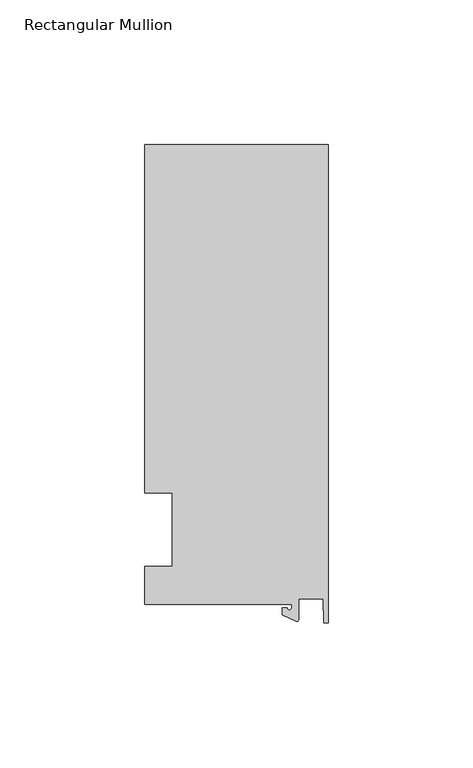
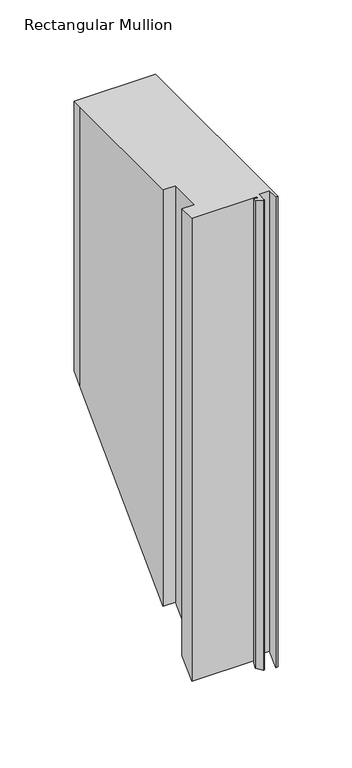
"""IFC4 building model written with IfcOpenShell, lengths in millimetres: member geometry, Rectangular Mullion."""

from ifc_helpers import new_model, si_unit, frame, origin, place, context, project, spatial, polyline, circle_curve, ellipse_curve, source, transform, mapped, element, save
from ifc_brep_helpers import plane_surface, cylinder_surface, revolved_surface, advanced_brep


def rectangular_mullion_ab694ed6(model_context):
    return source(origin(), model_context, "Body", "AdvancedBrep", [
        advanced_brep(
        [(-12.6173814, -25.796875, 0.0), (-12.6173814, -27.0827507, 0.0), (-14.2048814, -27.0827507, 0.0), (-15.7923814, -27.0827507, 0.0), (-15.7923814, -29.44495, 0.0), (-10.9524715, -31.7018371, 0.0), (-10.2297814, -31.2414327, 0.0), (-10.2297814, -23.9227662, 0.0), (-1.7144124, -23.9227662, 0.0), (-1.5658966, -32.288874, 0.0), (0.0, -32.288874, 0.0), (0.0, 133.34365, 0.0), (-63.5, 133.34365, 0.0), (-63.5, 125.8114907, 0.0), (-63.5, 12.7, 0.0), (-53.975, 12.7, 0.0), (-53.975, -12.7, 0.0), (-63.5, -12.7, 0.0), (-63.5, -25.796875, 0.0), (-12.6173814, -25.796875, -381.396875), (-12.6173814, -27.0827507, -382.6827507), (-14.2048814, -27.0827507, -382.6827507), (-15.7923814, -27.0827507, -382.6827507), (-15.7923814, -29.44495, -385.04495), (-10.9524715, -31.7018371, -387.3018371), (-10.2297814, -31.2414327, -386.8414327), (-10.2297814, -23.9227662, -379.5227662), (-1.7144124, -23.9227662, -379.5227662), (-1.5658966, -32.288874, -387.888874), (0.0, -32.288874, -387.888874), (0.0, 133.34365, -222.25635), (-63.5, 133.34365, -222.25635), (-63.5, 125.8114907, -229.7885093), (-63.5, 12.7, -342.9), (-53.975, 12.7, -342.9), (-53.975, -12.7, -368.3), (-63.5, -12.7, -368.3), (-63.5, -25.796875, -381.396875)],
        [
            (0, 1),
            (1, 2, circle_curve(frame((-13.4111314, -27.0827507, 0.0), z_axis=(0.0, 0.0, -1.0), x_axis=(-1.0, 0.0, 0.0)), 0.79375)),
            (2, 3),
            (3, 4),
            (4, 5),
            (5, 6, circle_curve(frame((-10.7377814, -31.2414327, 0.0), z_axis=(0.0, 0.0, 1.0), x_axis=(-1.0, 0.0, 0.0)), 0.508)),
            (6, 7),
            (7, 8),
            (8, 9),
            (9, 10),
            (10, 11),
            (11, 12),
            (12, 13),
            (13, 14),
            (14, 15),
            (15, 16),
            (16, 17),
            (17, 18),
            (18, 0),
            (0, 19),
            (19, 20),
            (20, 1),
            (20, 21, ellipse_curve(frame((-13.4111314, -27.0827507, -382.6827507), z_axis=(0.0, 0.7071067811865499, -0.7071067811865451), x_axis=(0.0, -0.7071067811865451, -0.7071067811865498)), 1.122532, 0.79375)),
            (21, 2),
            (21, 22),
            (22, 3),
            (22, 23),
            (23, 4),
            (23, 24),
            (24, 5),
            (24, 25, ellipse_curve(frame((-10.7377814, -31.2414327, -386.8414327), z_axis=(0.0, -0.7071067811865499, 0.7071067811865451), x_axis=(0.0, 0.7071067811865451, 0.7071067811865498)), 0.7184205, 0.508)),
            (25, 6),
            (25, 26),
            (26, 7),
            (26, 27),
            (27, 8),
            (27, 28),
            (28, 9),
            (28, 29),
            (29, 10),
            (29, 30),
            (30, 11),
            (30, 31),
            (31, 12),
            (31, 32),
            (32, 13),
            (32, 33),
            (33, 14),
            (33, 34),
            (34, 15),
            (34, 35),
            (35, 16),
            (35, 36),
            (36, 17),
            (36, 37),
            (37, 18),
            (37, 19),
        ],
        [
            plane_surface(frame((0.0, -147.6914994, 0.0), z_axis=(0.0, 0.0, 1.0), x_axis=(-1.0, 0.0, 0.0))),
            plane_surface(frame((-12.6173814, -25.796875, 0.0), z_axis=(-1.0, 0.0, 0.0), x_axis=(0.0, 0.0, -1.0))),
            revolved_surface(polyline([(-14.2048814, -27.0827507, -383.47650068929886), (-14.2048814, -27.0827507, 0.0)]), (-13.4111314, -27.0827507, 0.0), (0.0, 0.0, -1.0)),
            plane_surface(frame((-14.2048814, -27.0827507, 0.0), z_axis=(0.0, 1.0, 0.0), x_axis=(0.0, 0.0, -1.0))),
            plane_surface(frame((-15.7923814, -27.0827507, 0.0), z_axis=(-1.0, 0.0, 0.0), x_axis=(0.0, 0.0, -1.0))),
            plane_surface(frame((-15.7923814, -29.44495, 0.0), z_axis=(-0.4226182617406985, -0.9063077870366505, 0.0), x_axis=(0.0, 0.0, -1.0))),
            cylinder_surface(frame((-10.7377814, -31.2414327, 0.0), z_axis=(0.0, 0.0, 1.0), x_axis=(-1.0, 0.0, 0.0)), 0.508),
            plane_surface(frame((-10.2297814, -31.2414327, 0.0), z_axis=(1.0, 0.0, 0.0), x_axis=(0.0, 0.0, -1.0))),
            plane_surface(frame((-10.2297814, -23.9227662, 0.0), z_axis=(0.0, -1.0, 0.0), x_axis=(0.0, 0.0, -1.0))),
            plane_surface(frame((-1.7144124, -23.9227662, 0.0), z_axis=(-0.9998424690407919, -0.017749284560600327, 0.0), x_axis=(0.0, 0.0, -1.0))),
            plane_surface(frame((-1.5658966, -32.288874, 0.0), z_axis=(0.0, -1.0, 0.0), x_axis=(0.0, 0.0, -1.0))),
            plane_surface(frame((0.0, -32.288874, 0.0), z_axis=(1.0, 0.0, 0.0), x_axis=(0.0, 0.0, -1.0))),
            plane_surface(frame((0.0, 133.34365, 0.0), z_axis=(0.0, 1.0, 0.0), x_axis=(0.0, 0.0, -1.0))),
            plane_surface(frame((-63.5, 133.34365, 0.0), z_axis=(-1.0, 0.0, 0.0), x_axis=(0.0, 0.0, -1.0))),
            plane_surface(frame((-63.5, 125.8114907, 0.0), z_axis=(-1.0, 0.0, 0.0), x_axis=(0.0, 0.0, -1.0))),
            plane_surface(frame((-63.5, 12.7, 0.0), z_axis=(0.0, -1.0, 0.0), x_axis=(0.0, 0.0, -1.0))),
            plane_surface(frame((-53.975, 12.7, 0.0), z_axis=(-1.0, 0.0, 0.0), x_axis=(0.0, 0.0, -1.0))),
            plane_surface(frame((-53.975, -12.7, 0.0), z_axis=(0.0, 1.0, 0.0), x_axis=(0.0, 0.0, -1.0))),
            plane_surface(frame((-63.5, -12.7, 0.0), z_axis=(-1.0, 0.0, 0.0), x_axis=(0.0, 0.0, -1.0))),
            plane_surface(frame((-63.5, -25.796875, 0.0), z_axis=(0.0, -1.0, 0.0), x_axis=(0.0, 0.0, -1.0))),
            plane_surface(frame((-304.8, 0.0, -355.6), z_axis=(0.0, 0.7071067811865499, -0.7071067811865451), x_axis=(0.0, 0.7071067811865451, 0.7071067811865499))),
        ],
        [
            (0, [[1, 2, 3, 4, 5, 6, 7, 8, 9, 10, 11, 12, 13, 14, 15, 16, 17, 18, 19]]),
            (1, [[-1, 20, 21, 22]]),
            (2, [[-2, -22, 23, 24]]),
            (3, [[-3, -24, 25, 26]]),
            (4, [[-4, -26, 27, 28]]),
            (5, [[-5, -28, 29, 30]]),
            (6, [[-6, -30, 31, 32]]),
            (7, [[-7, -32, 33, 34]]),
            (8, [[-8, -34, 35, 36]]),
            (9, [[-9, -36, 37, 38]]),
            (10, [[-10, -38, 39, 40]]),
            (11, [[-11, -40, 41, 42]]),
            (12, [[-12, -42, 43, 44]]),
            (13, [[-13, -44, 45, 46]]),
            (14, [[-14, -46, 47, 48]]),
            (15, [[-15, -48, 49, 50]]),
            (16, [[-16, -50, 51, 52]]),
            (17, [[-17, -52, 53, 54]]),
            (18, [[-18, -54, 55, 56]]),
            (19, [[-19, -56, 57, -20]]),
            (20, [[-57, -55, -53, -51, -49, -47, -45, -43, -41, -39, -37, -35, -33, -31, -29, -27, -25, -23, -21]]),
        ],
    ),
    ])


if __name__ == "__main__":
    model = new_model("IFC4")
    model_context = context("Model", 3, world=origin())
    ifc_project = project(units=[si_unit("LENGTHUNIT", "METRE", prefix="MILLI")], contexts=[model_context])
    site = spatial("IfcSite", under=ifc_project)
    building = spatial("IfcBuilding", under=site)
    placement = place(None, origin())
    rectangular_mullion_shape = rectangular_mullion_ab694ed6(model_context)
    element("IfcMember", 1, ObjectType="Rectangular Mullion", at=placement, inside=building, context=model_context, shape_type="MappedRepresentation", body=[
        mapped(rectangular_mullion_shape, transform((0.0, 0.0, 0.0), x_axis=(1.0, 0.0, 0.0), y_axis=(0.0, 1.0, 0.0), z_axis=(0.0, 0.0, 1.0))),
    ])
    save(model, "model.ifc")
